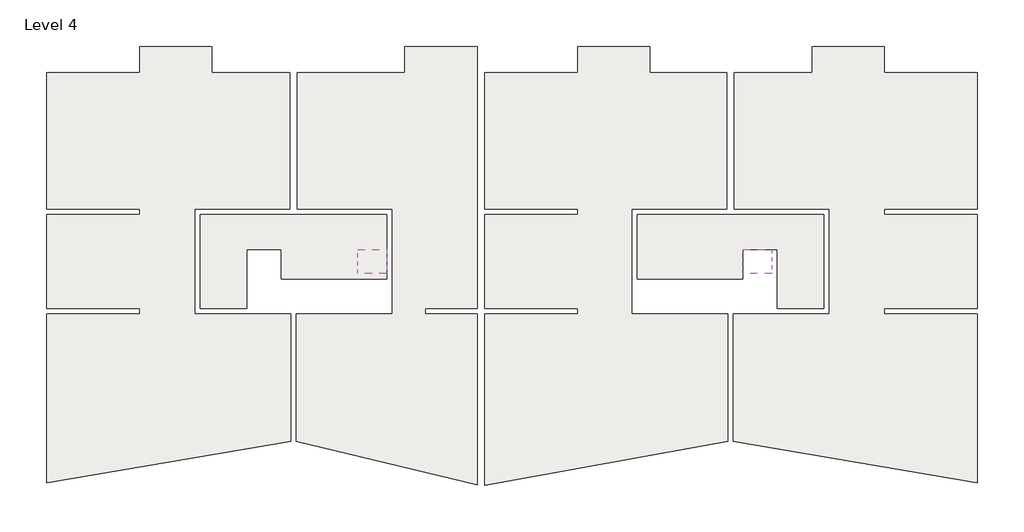
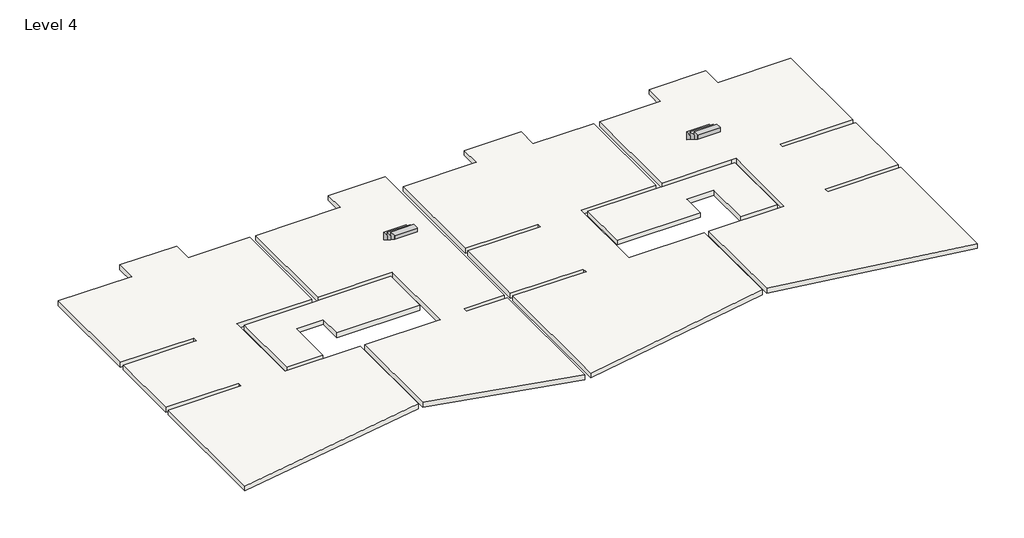
# One storey: 6 slabs, 2 stair flights.
"""IFC4 building model written with IfcOpenShell, lengths in millimetres."""

from ifc_helpers import new_model, si_unit, frame, origin, place, context, project, spatial, polyline, outline, extrude, faceted_brep, element, save

model = new_model("IFC4")

# Units and contexts
model_context = context("Model", 3, world=origin())
ifc_project = project(units=[si_unit("LENGTHUNIT", "METRE", prefix="MILLI")], contexts=[model_context])

# Site, building, storey
site = spatial("IfcSite", under=ifc_project)
building = spatial("IfcBuilding", under=site)
storey = spatial("IfcBuildingStorey", under=building, Name="Level 4", Elevation=11840.0)

# Slabs
placement = place(None, origin())
element("IfcSlab", 1, ObjectType="Generic 220mm", at=placement, inside=storey, context=model_context, shape_type="SweptSolid", body=[
    extrude(outline(polyline([(10997.1903209, 18647.190715), (14217.1903209, 18647.190715), (14217.1903209, 13917.190715), (10997.1903209, 13917.190715), (10997.1903209, 13717.190715), (14217.1903209, 13717.190715), (14217.1903209, 13667.190715), (14217.1903209, 10467.190715), (10997.1903209, 10467.190715), (10997.1903209, 10267.190715), (14217.1903209, 10267.190715), (14217.1903209, 4419.8377429), (5767.1903209, 5861.0350662), (5767.1903209, 10267.190715), (9092.1903209, 10267.190715), (9092.1903209, 13917.190715), (8892.1903209, 13917.190715), (5797.1903209, 13917.190715), (5797.1903209, 18647.190715), (8497.1903209, 18647.190715), (8497.1903209, 19547.190715), (10997.1903209, 19547.190715), (10997.1903209, 18647.190715)])), frame((0.0, 0.0, 11620.0), z_axis=(0.0, 0.0, 1.0), x_axis=(1.0, 0.0, 0.0)), (0.0, 0.0, 1.0), 220.0),
])
element("IfcSlab", 2, ObjectType="Generic 220mm", at=placement, inside=storey, context=model_context, shape_type="SweptSolid", body=[
    extrude(outline(polyline([(2867.1903209, 18647.190715), (5537.1903209, 18647.190715), (5537.1903209, 13917.190715), (2242.1903209, 13917.190715), (2242.1903209, 10267.190715), (5567.1903209, 10267.190715), (5567.1903209, 5860.2303444), (-2852.8096791, 4342.2397444), (-2852.8096791, 10267.190715), (367.1903209, 10267.190715), (367.1903209, 10467.190715), (-2852.8096791, 10467.190715), (-2852.8096791, 13717.190715), (367.1903209, 13717.190715), (367.1903209, 13917.190715), (-2852.8096791, 13917.190715), (-2852.8096791, 18647.190715), (367.1903209, 18647.190715), (367.1903209, 19547.190715), (2867.1903209, 19547.190715), (2867.1903209, 18647.190715)])), frame((0.0, 0.0, 11620.0), z_axis=(0.0, 0.0, 1.0), x_axis=(1.0, 0.0, 0.0)), (0.0, 0.0, 1.0), 220.0),
])
element("IfcSlab", 3, ObjectType="Generic 220mm", at=placement, inside=storey, context=model_context, shape_type="SweptSolid", body=[
    extrude(outline(polyline([(-3112.8096791, 10467.190715), (-4912.8096791, 10467.190715), (-4912.8096791, 10267.190715), (-3112.8096791, 10267.190715), (-3112.8096791, 4351.2871064), (-9372.8096791, 5856.0020525), (-9372.8096791, 10267.190715), (-6047.8096791, 10267.190715), (-6047.8096791, 13917.190715), (-9342.8096791, 13917.190715), (-9342.8096791, 18647.190715), (-5612.8096791, 18647.190715), (-5612.8096791, 19547.190715), (-3112.8096791, 19547.190715), (-3112.8096791, 10467.190715)])), frame((0.0, 0.0, 11620.0), z_axis=(0.0, 0.0, 1.0), x_axis=(1.0, 0.0, 0.0)), (0.0, 0.0, 1.0), 220.0),
])
element("IfcSlab", 4, ObjectType="Generic 220mm", at=placement, inside=storey, context=model_context, shape_type="SweptSolid", body=[
    extrude(outline(polyline([(-9602.8096791, 18647.190715), (-9602.8096791, 13917.190715), (-12897.8096791, 13917.190715), (-12897.8096791, 10267.190715), (-9572.8096791, 10267.190715), (-9572.8096791, 5861.5821317), (-18022.8096791, 4420.686178), (-18022.8096791, 10267.190715), (-14802.8096791, 10267.190715), (-14802.8096791, 10467.190715), (-18022.8096791, 10467.190715), (-18022.8096791, 13717.190715), (-14802.8096791, 13717.190715), (-14802.8096791, 13917.190715), (-18022.8096791, 13917.190715), (-18022.8096791, 18647.190715), (-14802.8096791, 18647.190715), (-14802.8096791, 19547.190715), (-12302.8096791, 19547.190715), (-12302.8096791, 18647.190715), (-9602.8096791, 18647.190715)])), frame((0.0, 0.0, 11620.0), z_axis=(0.0, 0.0, 1.0), x_axis=(1.0, 0.0, 0.0)), (0.0, 0.0, 1.0), 220.0),
])
element("IfcSlab", 5, ObjectType="Generic 220mm", at=placement, inside=storey, context=model_context, shape_type="SweptSolid", body=[
    extrude(outline(polyline([(-12697.8096791, 10467.190715), (-12697.8096791, 13717.190715), (-6242.8096791, 13717.190715), (-6242.8096791, 11492.190715), (-9897.8096791, 11492.190715), (-9897.8096791, 12512.190715), (-11097.8096791, 12512.190715), (-11097.8096791, 10467.190715), (-12697.8096791, 10467.190715)])), frame((0.0, 0.0, 11620.0), z_axis=(0.0, 0.0, 1.0), x_axis=(1.0, 0.0, 0.0)), (0.0, 0.0, 1.0), 220.0),
])
element("IfcSlab", 6, ObjectType="Generic 220mm", at=placement, inside=storey, context=model_context, shape_type="SweptSolid", body=[
    extrude(outline(polyline([(8892.1903209, 13717.190715), (8892.1903209, 10467.190715), (7292.1903209, 10467.190715), (7292.1903209, 12512.190715), (6092.1903209, 12512.190715), (6092.1903209, 11492.190715), (2442.5903209, 11492.190715), (2442.5903209, 13717.190715), (8892.1903209, 13717.190715)])), frame((0.0, 0.0, 11620.0), z_axis=(0.0, 0.0, 1.0), x_axis=(1.0, 0.0, 0.0)), (0.0, 0.0, 1.0), 220.0),
])

# Stair flights
element("IfcStairFlight", 7, ObjectType="25 mm Nosing", at=placement, inside=storey, context=model_context, shape_type="Brep", body=[
    faceted_brep([(-6247.8096791, 12232.190715, 14976.7647059), (-6247.8096791, 12512.190715, 14976.7647059), (-7247.8096791, 12512.190715, 14976.7647059), (-7247.8096791, 12232.190715, 14976.7647059), (-6247.8096791, 12232.190715, 14799.3746987), (-6247.8096791, 12512.190715, 14622.6099928), (-7247.8096791, 12512.190715, 14622.6099928), (-7247.8096791, 12232.190715, 14799.3746987), (-6247.8096791, 11952.190715, 15153.5294118), (-6247.8096791, 12232.190715, 15153.5294118), (-7247.8096791, 12232.190715, 15153.5294118), (-7247.8096791, 11952.190715, 15153.5294118), (-6247.8096791, 11952.190715, 14976.1394046), (-7247.8096791, 11952.190715, 14976.1394046), (-6247.8096791, 11672.190715, 15330.2941176), (-6247.8096791, 11697.190715, 15330.2941176), (-6247.8096791, 11952.190715, 15330.2941176), (-7247.8096791, 11952.190715, 15330.2941176), (-7247.8096791, 11697.190715, 15330.2941176), (-7247.8096791, 11672.190715, 15330.2941176), (-6247.8096791, 11672.190715, 15152.9041105), (-6247.8096791, 11697.190715, 15137.1215475), (-7247.8096791, 11697.190715, 15137.1215475), (-7247.8096791, 11672.190715, 15152.9041105)], [[[0, 1, 2, 3]], [[1, 0, 4, 5]], [[2, 1, 5, 6]], [[3, 2, 6, 7]], [[8, 9, 10, 11]], [[9, 8, 12, 4, 0]], [[0, 3, 10, 9]], [[11, 10, 3, 7, 13]], [[14, 15, 16, 17, 18, 19]], [[15, 14, 20, 21]], [[8, 11, 17, 16]], [[18, 17, 11, 13, 22]], [[14, 19, 23, 20]], [[5, 4, 12, 21, 20, 23, 22, 13, 7, 6]], [[16, 15, 21, 12, 8]], [[19, 18, 22, 23]]]),
])
element("IfcStairFlight", 8, ObjectType="25 mm Nosing", at=placement, inside=storey, context=model_context, shape_type="Brep", body=[
    faceted_brep([(7092.1903209, 12232.190715, 14976.7647059), (7092.1903209, 12512.190715, 14976.7647059), (6092.1903209, 12512.190715, 14976.7647059), (6092.1903209, 12232.190715, 14976.7647059), (7092.1903209, 12232.190715, 14799.3746987), (7092.1903209, 12512.190715, 14622.6099928), (6092.1903209, 12512.190715, 14622.6099928), (6092.1903209, 12232.190715, 14799.3746987), (7092.1903209, 11952.190715, 15153.5294118), (7092.1903209, 12232.190715, 15153.5294118), (6092.1903209, 12232.190715, 15153.5294118), (6092.1903209, 11952.190715, 15153.5294118), (7092.1903209, 11952.190715, 14976.1394046), (6092.1903209, 11952.190715, 14976.1394046), (7092.1903209, 11672.190715, 15330.2941176), (7092.1903209, 11697.190715, 15330.2941176), (7092.1903209, 11952.190715, 15330.2941176), (6092.1903209, 11952.190715, 15330.2941176), (6092.1903209, 11697.190715, 15330.2941176), (6092.1903209, 11672.190715, 15330.2941176), (7092.1903209, 11672.190715, 15152.9041105), (7092.1903209, 11697.190715, 15137.1215475), (6092.1903209, 11697.190715, 15137.1215475), (6092.1903209, 11672.190715, 15152.9041105)], [[[0, 1, 2, 3]], [[1, 0, 4, 5]], [[2, 1, 5, 6]], [[3, 2, 6, 7]], [[8, 9, 10, 11]], [[9, 8, 12, 4, 0]], [[0, 3, 10, 9]], [[11, 10, 3, 7, 13]], [[14, 15, 16, 17, 18, 19]], [[15, 14, 20, 21]], [[8, 11, 17, 16]], [[18, 17, 11, 13, 22]], [[14, 19, 23, 20]], [[5, 4, 12, 21, 20, 23, 22, 13, 7, 6]], [[16, 15, 21, 12, 8]], [[19, 18, 22, 23]]]),
])

save(model, "model.ifc")
